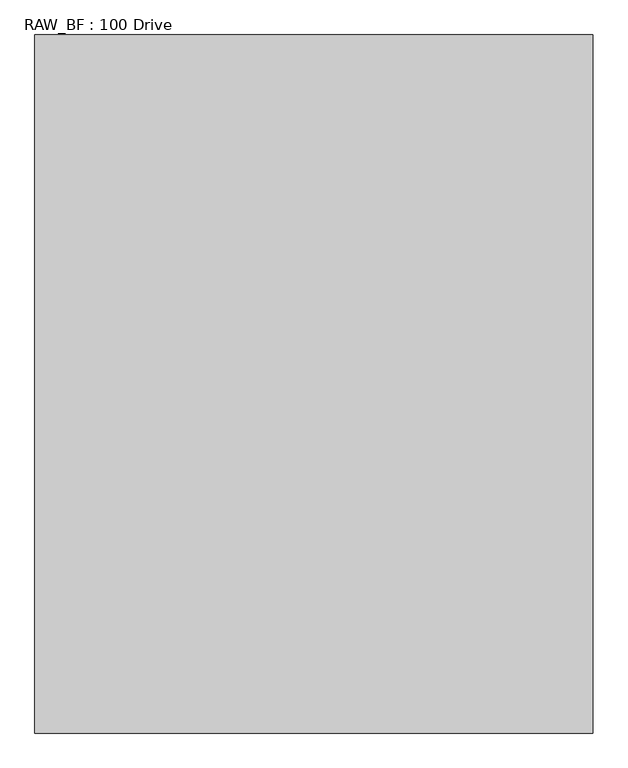
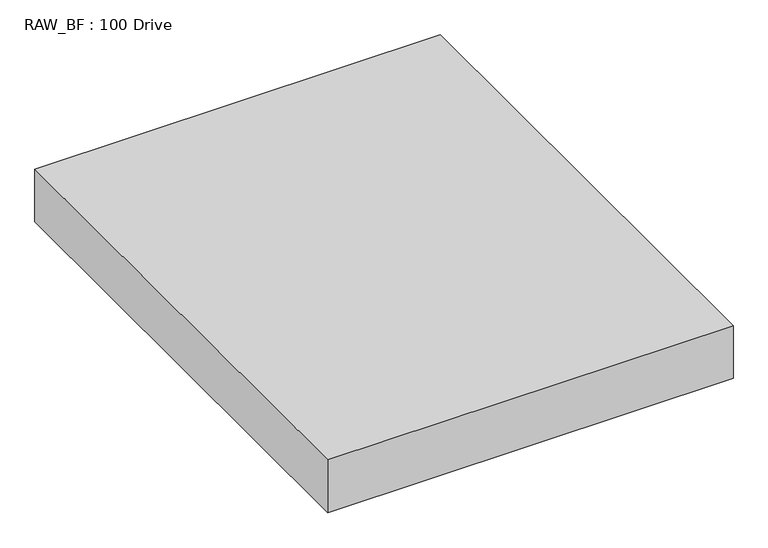
"""IFC4 building model written with IfcOpenShell, lengths in millimetres: proxy geometry, RAW_BF : 100 Drive."""

from ifc_helpers import new_model, si_unit, frame, origin, place, context, project, spatial, polyline, outline, extrude, source, transform, mapped, element, save


def raw_bf_100_drive_1b128c09(model_context):
    return source(origin(), model_context, "Body", "SweptSolid", [
        extrude(outline(polyline([(600.0, 0.0), (600.0, -1500.0), (-600.0, -1500.0), (-600.0, 0.0), (600.0, 0.0)])), frame((0.0, 0.0, -165.0), z_axis=(0.0, 0.0, 1.0), x_axis=(1.0, 0.0, 0.0)), (0.0, 0.0, 1.0), 165.0),
    ])


if __name__ == "__main__":
    model = new_model("IFC4")
    model_context = context("Model", 3, world=origin())
    ifc_project = project(units=[si_unit("LENGTHUNIT", "METRE", prefix="MILLI")], contexts=[model_context])
    site = spatial("IfcSite", under=ifc_project)
    building = spatial("IfcBuilding", under=site)
    placement = place(None, origin())
    raw_bf_100_drive_shape = raw_bf_100_drive_1b128c09(model_context)
    element("IfcBuildingElementProxy", 1, Name="RAW_BF : 100 Drive", ObjectType="RAW_BF : 100 Drive", at=placement, inside=building, context=model_context, shape_type="MappedRepresentation", body=[
        mapped(raw_bf_100_drive_shape, transform((0.0, 0.0, 0.0), x_axis=(1.0, 0.0, 0.0), y_axis=(0.0, 1.0, 0.0), z_axis=(0.0, 0.0, 1.0))),
    ])
    save(model, "model.ifc")
